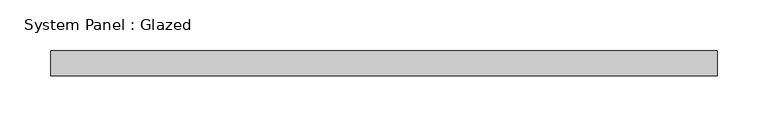
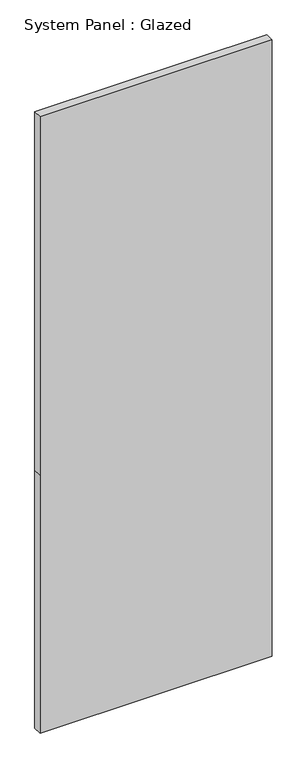
"""IFC4 building model written with IfcOpenShell, lengths in millimetres: plate geometry, System Panel : Glazed."""

from ifc_helpers import new_model, si_unit, frame, origin, place, context, project, spatial, polyline, outline, extrude, source, transform, mapped, element, save


def system_panel_glazed_756699c4(model_context):
    return source(origin(), model_context, "Body", "SweptSolid", [
        extrude(outline(polyline([(0.0, -329.5), (0.0, 329.5), (773.3333333, 329.5), (1846.6666667, 329.5), (1846.6666667, -329.5), (773.3333333, -329.5), (0.0, -329.5)])), frame((0.0, -49.5, 0.0), z_axis=(0.0, 1.0, 0.0), x_axis=(0.0, 0.0, 1.0)), (0.0, 0.0, 1.0), 25.0),
    ])


if __name__ == "__main__":
    model = new_model("IFC4")
    model_context = context("Model", 3, world=origin())
    ifc_project = project(units=[si_unit("LENGTHUNIT", "METRE", prefix="MILLI")], contexts=[model_context])
    site = spatial("IfcSite", under=ifc_project)
    building = spatial("IfcBuilding", under=site)
    placement = place(None, origin())
    system_panel_glazed_shape = system_panel_glazed_756699c4(model_context)
    element("IfcPlate", 1, ObjectType="System Panel : Glazed", at=placement, inside=building, context=model_context, shape_type="MappedRepresentation", body=[
        mapped(system_panel_glazed_shape, transform((0.0, 0.0, 0.0), x_axis=(1.0, 0.0, 0.0), y_axis=(0.0, 1.0, 0.0), z_axis=(0.0, 0.0, 1.0))),
    ])
    save(model, "model.ifc")
